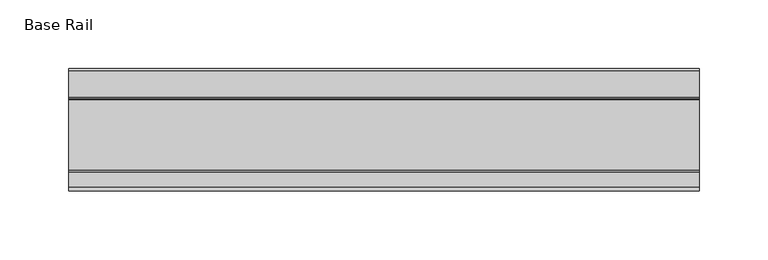
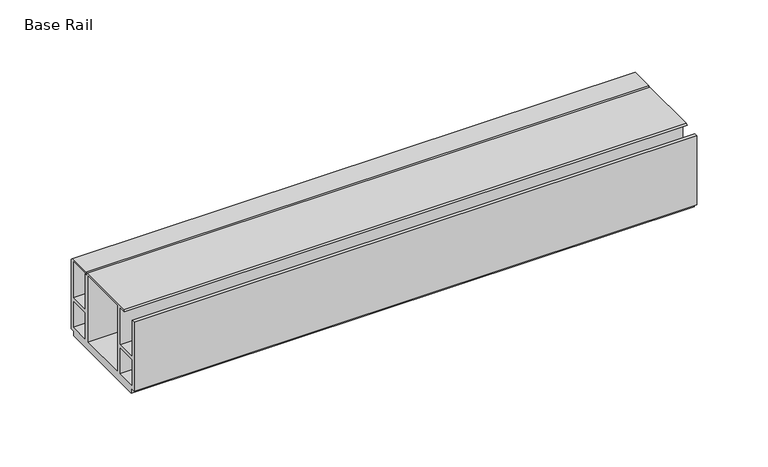
"""IFC4 building model written with IfcOpenShell, lengths in millimetres: furniture geometry, Base Rail."""

from ifc_helpers import new_model, si_unit, frame, origin, place, context, project, spatial, polyline, outline, extrude, source, transform, mapped, element, save


def base_rail_5cc33e64(model_context):
    return source(origin(), model_context, "Body", "SweptSolid", [
        extrude(outline(polyline([(59.951805, 4.0000001), (55.9518063, 4.0000001), (55.9518063, 0.0), (-24.9481962, 0.0), (-24.9481962, 4.0000001), (-28.948195, 4.0000001), (-28.948195, 63.5), (-26.1481963, 63.5), (-26.1481963, 32.0000002), (-9.1450707, 32.0000002), (-9.1450707, 29.4000001), (-26.1481963, 29.4000001), (-26.1481963, 6.6000002), (-8.7481957, 6.6000002), (-8.7481957, 63.5), (-5.4481956, 63.5), (-5.4481956, 6.6000002), (36.4518057, 6.6000002), (36.4518057, 63.5), (39.7518058, 63.5), (39.7518058, 6.6000002), (57.1518064, 6.6000002), (57.1518064, 29.4000001), (40.1486808, 29.4000001), (40.1486808, 32.0000002), (57.1518064, 32.0000002), (57.1518064, 63.9424102), (-15.1141535, 63.9424102), (-13.9690637, 65.0875), (37.2171998, 65.0875), (38.1255324, 64.1791674), (39.033865, 65.0875), (58.0797005, 65.0875), (59.951805, 63.5), (59.951805, 4.0000001)])), frame((-198.6228469, 0.0, 0.0), z_axis=(1.0, 0.0, 0.0), x_axis=(0.0, 1.0, 0.0)), (0.0, 0.0, 1.0), 457.2),
    ])


if __name__ == "__main__":
    model = new_model("IFC4")
    model_context = context("Model", 3, world=origin())
    ifc_project = project(units=[si_unit("LENGTHUNIT", "METRE", prefix="MILLI")], contexts=[model_context])
    site = spatial("IfcSite", under=ifc_project)
    building = spatial("IfcBuilding", under=site)
    placement = place(None, origin())
    base_rail_shape = base_rail_5cc33e64(model_context)
    element("IfcFurniture", 1, ObjectType="Base Rail", at=placement, inside=building, context=model_context, shape_type="MappedRepresentation", body=[
        mapped(base_rail_shape, transform((0.0, 0.0, 0.0), x_axis=(1.0, 0.0, 0.0), y_axis=(0.0, 1.0, 0.0), z_axis=(0.0, 0.0, 1.0))),
    ])
    save(model, "model.ifc")
